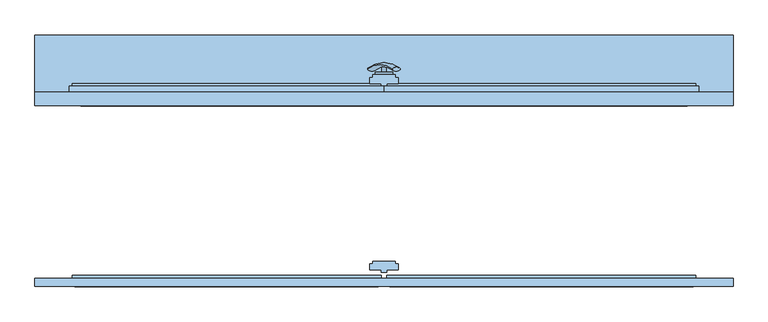
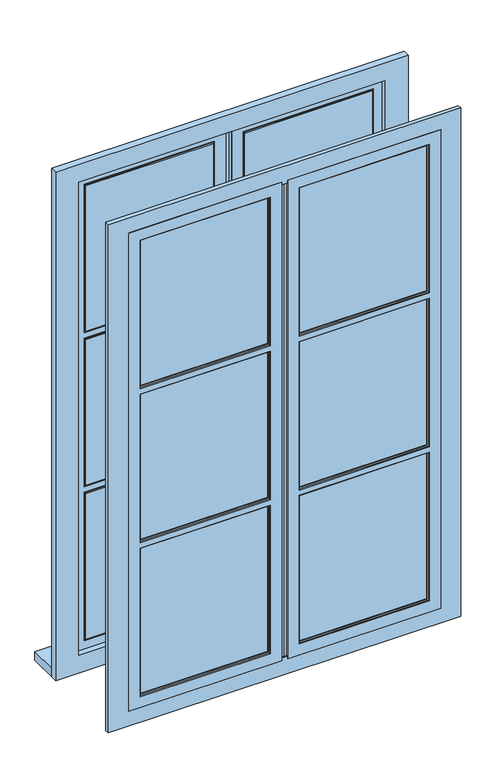
"""IFC4 building model written with IfcOpenShell, lengths in millimetres: window geometry."""

from ifc_helpers import new_model, si_unit, point, frame, frame_2d, origin, place, context, project, spatial, polyline, circle_curve, ellipse_curve, trimmed, segment, composite_curve, outline, extrude, faceted_brep, source, transform, mapped, element, save
from ifc_brep_helpers import plane_surface, revolved_surface, advanced_brep


def window_cf1e4e3e(model_context):
    return source(origin(), model_context, "Body", "SolidModel", [
        advanced_brep(
        [(-28.5497704, 90.2287724, 1355.5816695), (-14.693364, 90.2287724, 1347.5816695), (14.693364, 90.2287724, 1430.4809754), (28.5497704, 90.2287724, 1422.4809754)],
        [
            (0, 1, ellipse_curve(frame((-21.6215672, 90.2287724, 1351.5816695), z_axis=(-0.46984631039295827, -0.3420201433256777, -0.8137976813493676), x_axis=(0.8660254037844349, 0.0, -0.5000000000000066)), 8.0, 3.5)),
            (1, 0, ellipse_curve(frame((-21.6215672, 90.2287724, 1351.5816695), z_axis=(-0.46984631039295827, -0.3420201433256777, -0.8137976813493676), x_axis=(0.8660254037844349, 0.0, -0.5000000000000066)), 8.0, 3.5)),
            (2, 3, ellipse_curve(frame((21.6215672, 90.2287724, 1426.4809754), z_axis=(0.46984631039296154, -0.3420201433256599, 0.8137976813493732), x_axis=(0.8660254037844355, 0.0, -0.5000000000000056)), 8.0, 3.5)),
            (3, 2, ellipse_curve(frame((21.6215672, 90.2287724, 1426.4809754), z_axis=(0.46984631039296154, -0.3420201433256599, 0.8137976813493732), x_axis=(0.8660254037844355, 0.0, -0.5000000000000056)), 8.0, 3.5)),
            (2, 0, circle_curve(frame((-6.9282032, -28.580763, 1393.0313224), z_axis=(-0.8660254037844353, 0.0, 0.500000000000006), x_axis=(-0.1710100716628409, 0.9396926207859051, -0.29619813272603046)), 126.4344667)),
            (1, 3, circle_curve(frame((6.9282032, -28.580763, 1385.0313224), z_axis=(0.8660254037844353, 0.0, -0.500000000000006), x_axis=(-0.1710100716628409, 0.9396926207859051, -0.29619813272603046)), 126.4344667)),
        ],
        [
            plane_surface(frame((40.0926994, 87.5471681, 1317.0779366), z_axis=(-0.4698463103929582, -0.34202014332567776, -0.8137976813493677), x_axis=(-0.8660254037844352, 0.0, 0.500000000000006))),
            plane_surface(frame((82.3598097, 87.5471681, 1390.2867191), z_axis=(0.4698463103929615, -0.34202014332565983, 0.8137976813493734), x_axis=(-0.8660254037844352, 0.0, 0.500000000000006))),
            revolved_surface(trimmed(ellipse_curve(frame((-21.6215672, 90.2287724, 1351.5816695), z_axis=(0.46984631039295827, 0.3420201433256777, 0.8137976813493676), x_axis=(0.8660254037844349, 0.0, -0.5000000000000066)), 8.0, 3.5), [point((-28.5497704, 90.2287724, 1355.5816695))], [point((-14.693364, 90.2287724, 1347.5816695))], True, "CARTESIAN"), (61.2262546, -28.580763, 1353.6823279), (-0.8660254037844353, 0.0, 0.500000000000006)),
            revolved_surface(trimmed(ellipse_curve(frame((-21.6215672, 90.2287724, 1351.5816695), z_axis=(0.46984631039295827, 0.3420201433256777, 0.8137976813493676), x_axis=(0.8660254037844349, 0.0, -0.5000000000000066)), 8.0, 3.5), [point((-14.693364, 90.2287724, 1347.5816695))], [point((-28.5497704, 90.2287724, 1355.5816695))], True, "CARTESIAN"), (61.2262546, -28.580763, 1353.6823279), (-0.8660254037844353, 0.0, 0.500000000000006)),
        ],
        [
            (0, [[1, 2]]),
            (1, [[3, 4]]),
            (2, [[-3, 5, -2, 6]]),
            (3, [[-4, -6, -1, -5]]),
        ],
    ),
        extrude(outline(composite_curve([segment(trimmed(circle_curve(frame_2d((1389.0313224, 0.0)), 3.5), [point((1389.0313224, -3.5))], [point((1389.0313224, 3.5))], False, "CARTESIAN"), True, "CONTINUOUS"), segment(trimmed(circle_curve(frame_2d((1389.0313224, 0.0)), 3.5), [point((1389.0313224, 3.5))], [point((1389.0313224, -3.5))], False, "CARTESIAN"), True, "CONTINUOUS")], self_intersect=False)), frame((0.0, 85.0, 0.0), z_axis=(0.0, 1.0, 0.0), x_axis=(0.0, 0.0, 1.0)), (0.0, 0.0, 1.0), 10.0),
        extrude(outline(composite_curve([segment(polyline([(1453.3333333, -15.0), (1323.3333333, -15.0)]), True, "CONTINUOUS"), segment(trimmed(circle_curve(frame_2d((1323.3333333, 0.0)), 15.0), [point((1323.3333333, -15.0))], [point((1323.3333333, 15.0))], False, "CARTESIAN"), True, "CONTINUOUS"), segment(polyline([(1323.3333333, 15.0), (1453.3333333, 15.0)]), True, "CONTINUOUS"), segment(trimmed(circle_curve(frame_2d((1453.3333333, 0.0)), 15.0), [point((1453.3333333, 15.0))], [point((1453.3333333, -15.0))], False, "CARTESIAN"), True, "CONTINUOUS")], self_intersect=False)), frame((0.0, 80.0, 0.0), z_axis=(0.0, 1.0, 0.0), x_axis=(0.0, 0.0, 1.0)), (0.0, 0.0, 1.0), 5.0),
        faceted_brep([(-610.0, 50.0, 2600.0), (-610.0, 50.0, 740.0), (-610.0, 26.0, 740.0), (-610.0, 26.0, 2600.0), (610.0, 26.0, 740.0), (610.0, 26.0, 2600.0), (-530.0, 26.0, 805.0), (-530.0, 26.0, 2535.0), (530.0, 26.0, 2535.0), (530.0, 26.0, 805.0), (610.0, 50.0, 740.0), (610.0, 50.0, 2600.0), (-540.0, 50.0, 2545.0), (-540.0, 50.0, 795.0), (540.0, 50.0, 795.0), (540.0, 50.0, 2545.0), (530.0, 45.0, 805.0), (-530.0, 45.0, 805.0), (530.0, 45.0, 2535.0), (-530.0, 45.0, 2535.0), (-540.0, 45.0, 2545.0), (540.0, 45.0, 2545.0), (540.0, 45.0, 795.0), (-540.0, 45.0, 795.0)], [[[0, 1, 2, 3]], [[2, 4, 5, 3], [6, 7, 8, 9]], [[10, 4, 2, 1]], [[10, 1, 0, 11], [12, 13, 14, 15]], [[5, 4, 10, 11]], [[6, 9, 16, 17]], [[8, 18, 16, 9]], [[7, 6, 17, 19]], [[20, 21, 22, 23], [17, 16, 18, 19]], [[20, 23, 13, 12]], [[13, 23, 22, 14]], [[21, 15, 14, 22]], [[5, 11, 0, 3]], [[19, 18, 8, 7]], [[15, 21, 20, 12]]]),
        faceted_brep([(-50.0, -271.0, 1941.6666667), (-50.0, -276.0, 1941.6666667), (-500.0, -276.0, 1941.6666667), (-500.0, -271.0, 1941.6666667), (-5.0, -271.0, 790.0), (-545.0, -271.0, 790.0), (-545.0, -271.0, 2550.0), (-5.0, -271.0, 2550.0), (-500.0, -271.0, 1398.3333333), (-50.0, -271.0, 1398.3333333), (-50.0, -271.0, 1961.6666667), (-50.0, -271.0, 2505.0), (-500.0, -271.0, 2505.0), (-500.0, -271.0, 1961.6666667), (-500.0, -271.0, 835.0), (-50.0, -271.0, 835.0), (-50.0, -271.0, 1378.3333333), (-500.0, -271.0, 1378.3333333), (-500.0, -276.0, 1398.3333333), (-500.0, -276.0, 1378.3333333), (-500.0, -276.0, 835.0), (-500.0, -276.0, 1961.6666667), (-500.0, -276.0, 2505.0), (-50.0, -276.0, 1378.3333333), (-50.0, -276.0, 835.0), (-55.0, -276.0, 840.0), (-55.0, -276.0, 1373.3333333), (-495.0, -276.0, 1373.3333333), (-495.0, -276.0, 840.0), (-50.0, -276.0, 2505.0), (-50.0, -276.0, 1961.6666667), (-495.0, -276.0, 2500.0), (-495.0, -276.0, 1966.6666667), (-55.0, -276.0, 1966.6666667), (-55.0, -276.0, 2500.0), (-50.0, -276.0, 1398.3333333), (-55.0, -276.0, 1936.6666667), (-495.0, -276.0, 1936.6666667), (-495.0, -276.0, 1403.3333333), (-55.0, -276.0, 1403.3333333), (-495.0, -286.0, 840.0), (-55.0, -286.0, 840.0), (-495.0, -286.0, 1373.3333333), (-495.0, -286.0, 2500.0), (-495.0, -286.0, 1966.6666667), (-495.0, -286.0, 1403.3333333), (-495.0, -286.0, 1936.6666667), (-55.0, -286.0, 1373.3333333), (-55.0, -286.0, 1966.6666667), (-55.0, -286.0, 2500.0), (-55.0, -286.0, 1936.6666667), (-55.0, -286.0, 1403.3333333), (-50.0, -286.0, 835.0), (-50.0, -286.0, 1378.3333333), (-500.0, -286.0, 1378.3333333), (-500.0, -286.0, 835.0), (-500.0, -286.0, 2505.0), (-500.0, -286.0, 1961.6666667), (-50.0, -286.0, 1961.6666667), (-50.0, -286.0, 2505.0), (-50.0, -286.0, 1941.6666667), (-500.0, -286.0, 1941.6666667), (-500.0, -286.0, 1398.3333333), (-50.0, -286.0, 1398.3333333), (-500.0, -291.0, 835.0), (-50.0, -291.0, 835.0), (-500.0, -291.0, 2505.0), (-500.0, -291.0, 1961.6666667), (-500.0, -291.0, 1941.6666667), (-500.0, -291.0, 1398.3333333), (-500.0, -291.0, 1378.3333333), (-50.0, -291.0, 1378.3333333), (-50.0, -291.0, 1941.6666667), (-50.0, -291.0, 1398.3333333), (-50.0, -291.0, 1961.6666667), (-50.0, -291.0, 2505.0), (-10.0, -291.0, 2545.0), (-540.0, -291.0, 2545.0), (-540.0, -291.0, 795.0), (-10.0, -291.0, 795.0), (-10.0, -286.0, 795.0), (-10.0, -286.0, 2545.0), (-540.0, -286.0, 795.0), (-540.0, -286.0, 2545.0), (-5.0, -276.0, 2550.0), (-5.0, -276.0, 790.0), (-545.0, -276.0, 790.0), (-545.0, -276.0, 2550.0), (0.0, -276.0, 785.0), (-550.0, -276.0, 785.0), (-550.0, -276.0, 2555.0), (0.0, -276.0, 2555.0), (0.0, -286.0, 2555.0), (0.0, -286.0, 785.0), (-550.0, -286.0, 785.0), (-550.0, -286.0, 2555.0)], [[[0, 1, 2, 3]], [[4, 5, 6, 7], [3, 8, 9, 0], [10, 11, 12, 13], [14, 15, 16, 17]], [[3, 2, 18, 8]], [[14, 17, 19, 20]], [[21, 13, 12, 22]], [[20, 19, 23, 24], [25, 26, 27, 28]], [[29, 30, 21, 22], [31, 32, 33, 34]], [[1, 35, 18, 2], [36, 37, 38, 39]], [[1, 0, 9, 35]], [[11, 10, 30, 29]], [[23, 16, 15, 24]], [[25, 28, 40, 41]], [[28, 27, 42, 40]], [[43, 44, 32, 31]], [[45, 38, 37, 46]], [[26, 47, 42, 27]], [[34, 33, 48, 49]], [[41, 47, 26, 25]], [[50, 36, 39, 51]], [[15, 14, 20, 24]], [[16, 23, 19, 17]], [[48, 33, 32, 44]], [[13, 21, 30, 10]], [[51, 39, 38, 45]], [[36, 50, 46, 37]], [[8, 18, 35, 9]], [[52, 53, 54, 55], [41, 40, 42, 47]], [[56, 57, 58, 59], [43, 49, 48, 44]], [[60, 61, 62, 63], [50, 51, 45, 46]], [[52, 55, 64, 65]], [[66, 67, 57, 56]], [[61, 68, 69, 62]], [[54, 70, 64, 55]], [[70, 54, 53, 71]], [[65, 71, 53, 52]], [[72, 60, 63, 73]], [[58, 74, 75, 59]], [[74, 58, 57, 67]], [[73, 63, 62, 69]], [[68, 61, 60, 72]], [[76, 77, 78, 79], [65, 64, 70, 71], [67, 66, 75, 74], [72, 73, 69, 68]], [[76, 79, 80, 81]], [[79, 78, 82, 80]], [[78, 77, 83, 82]], [[84, 85, 4, 7]], [[86, 87, 6, 5]], [[85, 86, 5, 4]], [[88, 89, 90, 91], [84, 87, 86, 85]], [[92, 93, 88, 91]], [[93, 94, 89, 88]], [[92, 95, 94, 93], [80, 82, 83, 81]], [[94, 95, 90, 89]], [[49, 43, 31, 34]], [[29, 22, 12, 11]], [[75, 66, 56, 59]], [[81, 83, 77, 76]], [[7, 6, 87, 84]], [[91, 90, 95, 92]]]),
        faceted_brep([(50.0, -291.0, 2505.0), (50.0, -291.0, 1961.6666667), (50.0, -286.0, 1961.6666667), (50.0, -286.0, 2505.0), (50.0, -286.0, 1378.3333333), (50.0, -291.0, 1378.3333333), (50.0, -291.0, 835.0), (50.0, -286.0, 835.0), (50.0, -286.0, 1941.6666667), (50.0, -291.0, 1941.6666667), (50.0, -291.0, 1398.3333333), (50.0, -286.0, 1398.3333333), (500.0, -286.0, 1961.6666667), (500.0, -286.0, 2505.0), (55.0, -286.0, 2500.0), (495.0, -286.0, 2500.0), (495.0, -286.0, 1966.6666667), (55.0, -286.0, 1966.6666667), (500.0, -286.0, 835.0), (500.0, -286.0, 1378.3333333), (495.0, -286.0, 840.0), (55.0, -286.0, 840.0), (55.0, -286.0, 1373.3333333), (495.0, -286.0, 1373.3333333), (500.0, -286.0, 1398.3333333), (500.0, -286.0, 1941.6666667), (55.0, -286.0, 1936.6666667), (495.0, -286.0, 1936.6666667), (495.0, -286.0, 1403.3333333), (55.0, -286.0, 1403.3333333), (500.0, -291.0, 1961.6666667), (10.0, -291.0, 795.0), (540.0, -291.0, 795.0), (540.0, -291.0, 2545.0), (10.0, -291.0, 2545.0), (500.0, -291.0, 1378.3333333), (500.0, -291.0, 835.0), (500.0, -291.0, 1941.6666667), (500.0, -291.0, 1398.3333333), (500.0, -291.0, 2505.0), (55.0, -276.0, 1966.6666667), (55.0, -276.0, 2500.0), (55.0, -276.0, 840.0), (55.0, -276.0, 1373.3333333), (55.0, -276.0, 1936.6666667), (55.0, -276.0, 1403.3333333), (50.0, -276.0, 835.0), (50.0, -276.0, 1378.3333333), (500.0, -276.0, 1378.3333333), (500.0, -276.0, 835.0), (495.0, -276.0, 840.0), (495.0, -276.0, 1373.3333333), (500.0, -276.0, 2505.0), (500.0, -276.0, 1961.6666667), (50.0, -276.0, 1961.6666667), (50.0, -276.0, 2505.0), (495.0, -276.0, 1966.6666667), (495.0, -276.0, 2500.0), (50.0, -276.0, 1398.3333333), (50.0, -276.0, 1941.6666667), (500.0, -276.0, 1941.6666667), (500.0, -276.0, 1398.3333333), (495.0, -276.0, 1403.3333333), (495.0, -276.0, 1936.6666667), (50.0, -271.0, 835.0), (50.0, -271.0, 1378.3333333), (50.0, -271.0, 1941.6666667), (50.0, -271.0, 1398.3333333), (50.0, -271.0, 1961.6666667), (50.0, -271.0, 2505.0), (500.0, -271.0, 835.0), (500.0, -271.0, 1378.3333333), (5.0, -271.0, 2550.0), (545.0, -271.0, 2550.0), (545.0, -271.0, 790.0), (5.0, -271.0, 790.0), (500.0, -271.0, 1941.6666667), (500.0, -271.0, 1398.3333333), (500.0, -271.0, 2505.0), (500.0, -271.0, 1961.6666667), (5.0, -276.0, 790.0), (5.0, -276.0, 2550.0), (0.0, -276.0, 2555.0), (550.0, -276.0, 2555.0), (550.0, -276.0, 785.0), (0.0, -276.0, 785.0), (545.0, -276.0, 790.0), (545.0, -276.0, 2550.0), (0.0, -286.0, 785.0), (0.0, -286.0, 2555.0), (550.0, -286.0, 785.0), (550.0, -286.0, 2555.0), (10.0, -286.0, 2545.0), (540.0, -286.0, 2545.0), (540.0, -286.0, 795.0), (10.0, -286.0, 795.0)], [[[0, 1, 2, 3]], [[4, 5, 6, 7]], [[8, 9, 10, 11]], [[3, 2, 12, 13], [14, 15, 16, 17]], [[18, 19, 4, 7], [20, 21, 22, 23]], [[11, 24, 25, 8], [26, 27, 28, 29]], [[30, 12, 2, 1]], [[31, 32, 33, 34], [6, 5, 35, 36], [9, 37, 38, 10], [0, 39, 30, 1]], [[6, 36, 18, 7]], [[5, 4, 19, 35]], [[38, 24, 11, 10]], [[9, 8, 25, 37]], [[14, 17, 40, 41]], [[42, 43, 22, 21]], [[44, 26, 29, 45]], [[46, 47, 48, 49], [50, 51, 43, 42]], [[52, 53, 54, 55], [41, 40, 56, 57]], [[58, 59, 60, 61], [45, 62, 63, 44]], [[40, 17, 16, 56]], [[21, 20, 50, 42]], [[51, 23, 22, 43]], [[45, 29, 28, 62]], [[63, 27, 26, 44]], [[64, 65, 47, 46]], [[66, 59, 58, 67]], [[54, 68, 69, 55]], [[46, 49, 70, 64]], [[71, 48, 47, 65]], [[72, 73, 74, 75], [70, 71, 65, 64], [76, 66, 67, 77], [78, 69, 68, 79]], [[67, 58, 61, 77]], [[76, 60, 59, 66]], [[68, 54, 53, 79]], [[72, 75, 80, 81]], [[82, 83, 84, 85], [80, 86, 87, 81]], [[75, 74, 86, 80]], [[82, 85, 88, 89]], [[88, 90, 91, 89], [92, 93, 94, 95]], [[85, 84, 90, 88]], [[92, 95, 31, 34]], [[95, 94, 32, 31]], [[12, 30, 39, 13]], [[36, 35, 19, 18]], [[24, 38, 37, 25]], [[20, 23, 51, 50]], [[57, 56, 16, 15]], [[62, 28, 27, 63]], [[48, 71, 70, 49]], [[78, 79, 53, 52]], [[77, 61, 60, 76]], [[74, 73, 87, 86]], [[84, 83, 91, 90]], [[94, 93, 33, 32]], [[3, 13, 39, 0]], [[41, 57, 15, 14]], [[69, 78, 52, 55]], [[81, 87, 73, 72]], [[89, 91, 83, 82]], [[34, 33, 93, 92]]]),
        faceted_brep([(50.0, 45.0, 835.0), (500.0, 45.0, 835.0), (500.0, 50.0, 835.0), (50.0, 50.0, 835.0), (500.0, 50.0, 1378.3333333), (50.0, 50.0, 1378.3333333), (495.0, 50.0, 840.0), (55.0, 50.0, 840.0), (55.0, 50.0, 1373.3333333), (495.0, 50.0, 1373.3333333), (50.0, 50.0, 2505.0), (50.0, 50.0, 1961.6666667), (500.0, 50.0, 1961.6666667), (500.0, 50.0, 2505.0), (55.0, 50.0, 2500.0), (495.0, 50.0, 2500.0), (495.0, 50.0, 1966.6666667), (55.0, 50.0, 1966.6666667), (500.0, 50.0, 1941.6666667), (50.0, 50.0, 1941.6666667), (50.0, 50.0, 1398.3333333), (500.0, 50.0, 1398.3333333), (495.0, 50.0, 1936.6666667), (495.0, 50.0, 1403.3333333), (55.0, 50.0, 1403.3333333), (55.0, 50.0, 1936.6666667), (50.0, 45.0, 2505.0), (50.0, 45.0, 1961.6666667), (50.0, 45.0, 1941.6666667), (50.0, 45.0, 1398.3333333), (50.0, 45.0, 1378.3333333), (500.0, 45.0, 1378.3333333), (500.0, 45.0, 1941.6666667), (500.0, 45.0, 1398.3333333), (500.0, 45.0, 1961.6666667), (500.0, 45.0, 2505.0), (55.0, 60.0, 1936.6666667), (495.0, 60.0, 1936.6666667), (55.0, 60.0, 1966.6666667), (55.0, 60.0, 2500.0), (55.0, 60.0, 840.0), (55.0, 60.0, 1373.3333333), (55.0, 60.0, 1403.3333333), (495.0, 60.0, 1403.3333333), (495.0, 60.0, 1373.3333333), (495.0, 60.0, 840.0), (495.0, 60.0, 2500.0), (495.0, 60.0, 1966.6666667), (10.0, 45.0, 795.0), (540.0, 45.0, 795.0), (540.0, 45.0, 2545.0), (10.0, 45.0, 2545.0), (10.0, 50.0, 2545.0), (10.0, 50.0, 795.0), (540.0, 50.0, 795.0), (540.0, 50.0, 2545.0), (50.0, 60.0, 835.0), (50.0, 60.0, 1378.3333333), (500.0, 60.0, 1378.3333333), (500.0, 60.0, 835.0), (500.0, 60.0, 2505.0), (500.0, 60.0, 1961.6666667), (50.0, 60.0, 1961.6666667), (50.0, 60.0, 2505.0), (50.0, 60.0, 1941.6666667), (500.0, 60.0, 1941.6666667), (500.0, 60.0, 1398.3333333), (50.0, 60.0, 1398.3333333), (500.0, 65.0, 835.0), (50.0, 65.0, 835.0), (500.0, 65.0, 2505.0), (500.0, 65.0, 1961.6666667), (500.0, 65.0, 1378.3333333), (500.0, 65.0, 1941.6666667), (500.0, 65.0, 1398.3333333), (50.0, 65.0, 1378.3333333), (50.0, 65.0, 1941.6666667), (50.0, 65.0, 1398.3333333), (50.0, 65.0, 1961.6666667), (50.0, 65.0, 2505.0), (5.0, 65.0, 2550.0), (545.0, 65.0, 2550.0), (545.0, 65.0, 790.0), (5.0, 65.0, 790.0), (5.0, 60.0, 790.0), (5.0, 60.0, 2550.0), (545.0, 60.0, 790.0), (545.0, 60.0, 2550.0), (0.0, 60.0, 2555.0), (550.0, 60.0, 2555.0), (550.0, 60.0, 785.0), (0.0, 60.0, 785.0), (0.0, 50.0, 785.0), (0.0, 50.0, 2555.0), (550.0, 50.0, 785.0), (550.0, 50.0, 2555.0)], [[[0, 1, 2, 3]], [[2, 4, 5, 3], [6, 7, 8, 9]], [[10, 11, 12, 13], [14, 15, 16, 17]], [[18, 19, 20, 21], [22, 23, 24, 25]], [[26, 27, 11, 10]], [[19, 28, 29, 20]], [[5, 30, 0, 3]], [[30, 5, 4, 31]], [[1, 31, 4, 2]], [[32, 18, 21, 33]], [[12, 34, 35, 13]], [[34, 12, 11, 27]], [[25, 36, 37, 22]], [[14, 17, 38, 39]], [[40, 41, 8, 7]], [[24, 42, 36, 25]], [[23, 43, 42, 24]], [[6, 9, 44, 45]], [[22, 37, 43, 23]], [[46, 47, 16, 15]], [[16, 47, 38, 17]], [[8, 41, 44, 9]], [[7, 6, 45, 40]], [[33, 21, 20, 29]], [[28, 19, 18, 32]], [[48, 49, 50, 51], [1, 0, 30, 31], [27, 26, 35, 34], [32, 33, 29, 28]], [[52, 53, 48, 51]], [[54, 55, 50, 49]], [[53, 54, 49, 48]], [[56, 57, 58, 59], [45, 44, 41, 40]], [[60, 61, 62, 63], [47, 46, 39, 38]], [[64, 65, 66, 67], [37, 36, 42, 43]], [[56, 59, 68, 69]], [[70, 71, 61, 60]], [[58, 72, 68, 59]], [[65, 73, 74, 66]], [[72, 58, 57, 75]], [[69, 75, 57, 56]], [[76, 64, 67, 77]], [[62, 78, 79, 63]], [[78, 62, 61, 71]], [[77, 67, 66, 74]], [[73, 65, 64, 76]], [[80, 81, 82, 83], [69, 68, 72, 75], [71, 70, 79, 78], [76, 77, 74, 73]], [[80, 83, 84, 85]], [[83, 82, 86, 84]], [[82, 81, 87, 86]], [[88, 89, 90, 91], [84, 86, 87, 85]], [[88, 91, 92, 93]], [[92, 94, 95, 93], [52, 55, 54, 53]], [[91, 90, 94, 92]], [[90, 89, 95, 94]], [[10, 13, 35, 26]], [[39, 46, 15, 14]], [[51, 50, 55, 52]], [[79, 70, 60, 63]], [[85, 87, 81, 80]], [[93, 95, 89, 88]]]),
        faceted_brep([(-10.0, 45.0, 2545.0), (-540.0, 45.0, 2545.0), (-540.0, 45.0, 795.0), (-10.0, 45.0, 795.0), (-50.0, 45.0, 1941.6666667), (-50.0, 45.0, 1398.3333333), (-500.0, 45.0, 1398.3333333), (-500.0, 45.0, 1941.6666667), (-500.0, 45.0, 1961.6666667), (-500.0, 45.0, 2505.0), (-50.0, 45.0, 2505.0), (-50.0, 45.0, 1961.6666667), (-50.0, 45.0, 835.0), (-500.0, 45.0, 835.0), (-500.0, 45.0, 1378.3333333), (-50.0, 45.0, 1378.3333333), (-500.0, 50.0, 1941.6666667), (-50.0, 50.0, 1941.6666667), (-50.0, 50.0, 1378.3333333), (-50.0, 50.0, 835.0), (-50.0, 50.0, 1961.6666667), (-50.0, 50.0, 2505.0), (-50.0, 50.0, 1398.3333333), (-500.0, 50.0, 1398.3333333), (-55.0, 50.0, 1403.3333333), (-495.0, 50.0, 1403.3333333), (-495.0, 50.0, 1936.6666667), (-55.0, 50.0, 1936.6666667), (-500.0, 50.0, 1378.3333333), (-500.0, 50.0, 835.0), (-55.0, 50.0, 840.0), (-495.0, 50.0, 840.0), (-495.0, 50.0, 1373.3333333), (-55.0, 50.0, 1373.3333333), (-500.0, 50.0, 2505.0), (-500.0, 50.0, 1961.6666667), (-495.0, 50.0, 1966.6666667), (-495.0, 50.0, 2500.0), (-55.0, 50.0, 2500.0), (-55.0, 50.0, 1966.6666667), (-10.0, 50.0, 795.0), (-10.0, 50.0, 2545.0), (-540.0, 50.0, 795.0), (-540.0, 50.0, 2545.0), (-55.0, 60.0, 1966.6666667), (-495.0, 60.0, 1966.6666667), (-55.0, 60.0, 1373.3333333), (-55.0, 60.0, 840.0), (-55.0, 60.0, 2500.0), (-55.0, 60.0, 1403.3333333), (-55.0, 60.0, 1936.6666667), (-495.0, 60.0, 2500.0), (-495.0, 60.0, 840.0), (-495.0, 60.0, 1373.3333333), (-495.0, 60.0, 1936.6666667), (-495.0, 60.0, 1403.3333333), (-500.0, 60.0, 835.0), (-500.0, 60.0, 1378.3333333), (-50.0, 60.0, 1378.3333333), (-50.0, 60.0, 835.0), (-50.0, 60.0, 2505.0), (-50.0, 60.0, 1961.6666667), (-500.0, 60.0, 1961.6666667), (-500.0, 60.0, 2505.0), (-500.0, 60.0, 1941.6666667), (-50.0, 60.0, 1941.6666667), (-50.0, 60.0, 1398.3333333), (-500.0, 60.0, 1398.3333333), (-50.0, 65.0, 835.0), (-500.0, 65.0, 835.0), (-50.0, 65.0, 2505.0), (-50.0, 65.0, 1961.6666667), (-50.0, 65.0, 1398.3333333), (-50.0, 65.0, 1941.6666667), (-50.0, 65.0, 1378.3333333), (-500.0, 65.0, 1378.3333333), (-500.0, 65.0, 1941.6666667), (-500.0, 65.0, 1398.3333333), (-500.0, 65.0, 1961.6666667), (-500.0, 65.0, 2505.0), (-5.0, 65.0, 790.0), (-545.0, 65.0, 790.0), (-545.0, 65.0, 2550.0), (-5.0, 65.0, 2550.0), (-5.0, 60.0, 2550.0), (-5.0, 60.0, 790.0), (-545.0, 60.0, 790.0), (-545.0, 60.0, 2550.0), (0.0, 60.0, 785.0), (-550.0, 60.0, 785.0), (-550.0, 60.0, 2555.0), (0.0, 60.0, 2555.0), (0.0, 50.0, 2555.0), (0.0, 50.0, 785.0), (-550.0, 50.0, 785.0), (-550.0, 50.0, 2555.0)], [[[0, 1, 2, 3], [4, 5, 6, 7], [8, 9, 10, 11], [12, 13, 14, 15]], [[7, 16, 17, 4]], [[12, 15, 18, 19]], [[20, 11, 10, 21]], [[22, 5, 4, 17]], [[17, 16, 23, 22], [24, 25, 26, 27]], [[19, 18, 28, 29], [30, 31, 32, 33]], [[34, 35, 20, 21], [36, 37, 38, 39]], [[9, 8, 35, 34]], [[16, 7, 6, 23]], [[28, 14, 13, 29]], [[5, 22, 23, 6]], [[11, 20, 35, 8]], [[0, 3, 40, 41]], [[3, 2, 42, 40]], [[2, 1, 43, 42]], [[14, 28, 18, 15]], [[19, 29, 13, 12]], [[39, 44, 45, 36]], [[30, 33, 46, 47]], [[48, 44, 39, 38]], [[49, 24, 27, 50]], [[37, 36, 45, 51]], [[52, 53, 32, 31]], [[54, 26, 25, 55]], [[32, 53, 46, 33]], [[47, 52, 31, 30]], [[50, 27, 26, 54]], [[24, 49, 55, 25]], [[56, 57, 58, 59], [47, 46, 53, 52]], [[60, 61, 62, 63], [44, 48, 51, 45]], [[64, 65, 66, 67], [50, 54, 55, 49]], [[68, 69, 56, 59]], [[70, 71, 61, 60]], [[72, 66, 65, 73]], [[58, 74, 68, 59]], [[74, 58, 57, 75]], [[69, 75, 57, 56]], [[76, 64, 67, 77]], [[62, 78, 79, 63]], [[78, 62, 61, 71]], [[77, 67, 66, 72]], [[73, 65, 64, 76]], [[80, 81, 82, 83], [69, 68, 74, 75], [71, 70, 79, 78], [76, 77, 72, 73]], [[84, 85, 80, 83]], [[86, 87, 82, 81]], [[85, 86, 81, 80]], [[88, 89, 90, 91], [84, 87, 86, 85]], [[92, 93, 88, 91]], [[93, 94, 89, 88]], [[92, 95, 94, 93], [40, 42, 43, 41]], [[94, 95, 90, 89]], [[10, 9, 34, 21]], [[41, 43, 1, 0]], [[38, 37, 51, 48]], [[60, 63, 79, 70]], [[83, 82, 87, 84]], [[91, 90, 95, 92]]]),
        faceted_brep([(-610.0, -276.0, 740.0), (610.0, -276.0, 740.0), (610.0, -290.0, 740.0), (-610.0, -290.0, 740.0), (-610.0, -276.0, 2600.0), (-610.0, -290.0, 2600.0), (610.0, -290.0, 2600.0), (-530.0, -290.0, 2535.0), (530.0, -290.0, 2535.0), (530.0, -290.0, 805.0), (-530.0, -290.0, 805.0), (610.0, -276.0, 2600.0), (540.0, -276.0, 2545.0), (-540.0, -276.0, 2545.0), (-540.0, -276.0, 795.0), (540.0, -276.0, 795.0), (-530.0, -281.0, 805.0), (-530.0, -281.0, 2535.0), (530.0, -281.0, 805.0), (530.0, -281.0, 2535.0), (540.0, -281.0, 795.0), (540.0, -281.0, 2545.0), (-540.0, -281.0, 795.0), (-540.0, -281.0, 2545.0)], [[[0, 1, 2, 3]], [[4, 0, 3, 5]], [[2, 6, 5, 3], [7, 8, 9, 10]], [[6, 2, 1, 11]], [[0, 4, 11, 1], [12, 13, 14, 15]], [[7, 10, 16, 17]], [[16, 10, 9, 18]], [[19, 18, 9, 8]], [[12, 15, 20, 21]], [[14, 22, 20, 15]], [[22, 14, 13, 23]], [[21, 20, 22, 23], [17, 16, 18, 19]], [[5, 6, 11, 4]], [[17, 19, 8, 7]], [[12, 21, 23, 13]]]),
        extrude(outline(polyline([(0.5, -281.0), (0.5, -276.0), (10.0, -276.0), (10.0, -281.0), (0.5, -281.0)])), frame((0.0, 0.0, 785.0), z_axis=(0.0, 0.0, 1.0), x_axis=(1.0, 0.0, 0.0)), (0.0, 0.0, 1.0), 1770.0),
        extrude(outline(polyline([(-0.5, -281.0), (-10.0, -281.0), (-10.0, -276.0), (-0.5, -276.0), (-0.5, -281.0)])), frame((0.0, 0.0, 785.0), z_axis=(0.0, 0.0, 1.0), x_axis=(1.0, 0.0, 0.0)), (0.0, 0.0, 1.0), 1770.0),
        extrude(outline(polyline([(-55.0, -279.0), (-55.0, -283.0), (-495.0, -283.0), (-495.0, -279.0), (-55.0, -279.0)])), frame((0.0, 0.0, 1966.6666667), z_axis=(0.0, 0.0, 1.0), x_axis=(1.0, 0.0, 0.0)), (0.0, 0.0, 1.0), 533.3333333),
        extrude(outline(polyline([(-55.0, -279.0), (-55.0, -283.0), (-495.0, -283.0), (-495.0, -279.0), (-55.0, -279.0)])), frame((0.0, 0.0, 840.0), z_axis=(0.0, 0.0, 1.0), x_axis=(1.0, 0.0, 0.0)), (0.0, 0.0, 1.0), 533.3333333),
        extrude(outline(polyline([(495.0, -279.0), (495.0, -283.0), (55.0, -283.0), (55.0, -279.0), (495.0, -279.0)])), frame((0.0, 0.0, 1966.6666667), z_axis=(0.0, 0.0, 1.0), x_axis=(1.0, 0.0, 0.0)), (0.0, 0.0, 1.0), 533.3333333),
        extrude(outline(polyline([(495.0, -279.0), (495.0, -283.0), (55.0, -283.0), (55.0, -279.0), (495.0, -279.0)])), frame((0.0, 0.0, 840.0), z_axis=(0.0, 0.0, 1.0), x_axis=(1.0, 0.0, 0.0)), (0.0, 0.0, 1.0), 533.3333333),
        extrude(outline(polyline([(495.0, -279.0), (495.0, -283.0), (55.0, -283.0), (55.0, -279.0), (495.0, -279.0)])), frame((0.0, 0.0, 1403.3333333), z_axis=(0.0, 0.0, 1.0), x_axis=(1.0, 0.0, 0.0)), (0.0, 0.0, 1.0), 533.3333333),
        extrude(outline(polyline([(-55.0, -279.0), (-55.0, -283.0), (-495.0, -283.0), (-495.0, -279.0), (-55.0, -279.0)])), frame((0.0, 0.0, 1403.3333333), z_axis=(0.0, 0.0, 1.0), x_axis=(1.0, 0.0, 0.0)), (0.0, 0.0, 1.0), 533.3333333),
        extrude(outline(polyline([(5.0, -266.0), (-5.0, -266.0), (-5.0, -261.0), (-25.0, -261.0), (-25.0, -251.0), (-20.0, -251.0), (-20.0, -246.0), (20.0, -246.0), (20.0, -251.0), (25.0, -251.0), (25.0, -261.0), (5.0, -261.0), (5.0, -266.0)])), frame((0.0, 0.0, 785.0), z_axis=(0.0, 0.0, 1.0), x_axis=(1.0, 0.0, 0.0)), (0.0, 0.0, 1.0), 1770.0),
        extrude(outline(polyline([(-0.5, 45.0), (-10.0, 45.0), (-10.0, 50.0), (-0.5, 50.0), (-0.5, 45.0)])), frame((0.0, 0.0, 785.0), z_axis=(0.0, 0.0, 1.0), x_axis=(1.0, 0.0, 0.0)), (0.0, 0.0, 1.0), 1770.0),
        extrude(outline(polyline([(-55.0, 47.0), (-55.0, 43.0), (-495.0, 43.0), (-495.0, 47.0), (-55.0, 47.0)])), frame((0.0, 0.0, 840.0), z_axis=(0.0, 0.0, 1.0), x_axis=(1.0, 0.0, 0.0)), (0.0, 0.0, 1.0), 533.3333333),
        extrude(outline(polyline([(495.0, 47.0), (495.0, 43.0), (55.0, 43.0), (55.0, 47.0), (495.0, 47.0)])), frame((0.0, 0.0, 840.0), z_axis=(0.0, 0.0, 1.0), x_axis=(1.0, 0.0, 0.0)), (0.0, 0.0, 1.0), 533.3333333),
        extrude(outline(polyline([(-55.0, 47.0), (-55.0, 43.0), (-495.0, 43.0), (-495.0, 47.0), (-55.0, 47.0)])), frame((0.0, 0.0, 1403.3333333), z_axis=(0.0, 0.0, 1.0), x_axis=(1.0, 0.0, 0.0)), (0.0, 0.0, 1.0), 533.3333333),
        extrude(outline(polyline([(495.0, 47.0), (495.0, 43.0), (55.0, 43.0), (55.0, 47.0), (495.0, 47.0)])), frame((0.0, 0.0, 1403.3333333), z_axis=(0.0, 0.0, 1.0), x_axis=(1.0, 0.0, 0.0)), (0.0, 0.0, 1.0), 533.3333333),
        extrude(outline(polyline([(-55.0, 47.0), (-55.0, 43.0), (-495.0, 43.0), (-495.0, 47.0), (-55.0, 47.0)])), frame((0.0, 0.0, 1966.6666667), z_axis=(0.0, 0.0, 1.0), x_axis=(1.0, 0.0, 0.0)), (0.0, 0.0, 1.0), 533.3333333),
        extrude(outline(polyline([(495.0, 47.0), (495.0, 43.0), (55.0, 43.0), (55.0, 47.0), (495.0, 47.0)])), frame((0.0, 0.0, 1966.6666667), z_axis=(0.0, 0.0, 1.0), x_axis=(1.0, 0.0, 0.0)), (0.0, 0.0, 1.0), 533.3333333),
        extrude(outline(polyline([(5.0, 60.0), (-5.0, 60.0), (-5.0, 65.0), (-25.0, 65.0), (-25.0, 75.0), (-20.0, 75.0), (-20.0, 80.0), (20.0, 80.0), (20.0, 75.0), (25.0, 75.0), (25.0, 65.0), (5.0, 65.0), (5.0, 60.0)])), frame((0.0, 0.0, 785.0), z_axis=(0.0, 0.0, 1.0), x_axis=(1.0, 0.0, 0.0)), (0.0, 0.0, 1.0), 1770.0),
        extrude(outline(polyline([(0.5, 45.0), (0.5, 50.0), (10.0, 50.0), (10.0, 45.0), (0.5, 45.0)])), frame((0.0, 0.0, 785.0), z_axis=(0.0, 0.0, 1.0), x_axis=(1.0, 0.0, 0.0)), (0.0, 0.0, 1.0), 1770.0),
        extrude(outline(polyline([(610.0, 50.0), (-610.0, 50.0), (-610.0, 150.0), (610.0, 150.0), (610.0, 50.0)])), frame((0.0, 0.0, 740.0), z_axis=(0.0, 0.0, 1.0), x_axis=(1.0, 0.0, 0.0)), (0.0, 0.0, 1.0), 30.0),
    ])


if __name__ == "__main__":
    model = new_model("IFC4")
    model_context = context("Model", 3, world=origin())
    ifc_project = project(units=[si_unit("LENGTHUNIT", "METRE", prefix="MILLI")], contexts=[model_context])
    site = spatial("IfcSite", under=ifc_project)
    building = spatial("IfcBuilding", under=site)
    placement = place(None, origin())
    window_shape = window_cf1e4e3e(model_context)
    element("IfcWindow", 1, at=placement, inside=building, context=model_context, shape_type="MappedRepresentation", body=[
        mapped(window_shape, transform((0.0, 0.0, 0.0), x_axis=(1.0, 0.0, 0.0), y_axis=(0.0, 1.0, 0.0), z_axis=(0.0, 0.0, 1.0))),
    ])
    save(model, "model.ifc")
